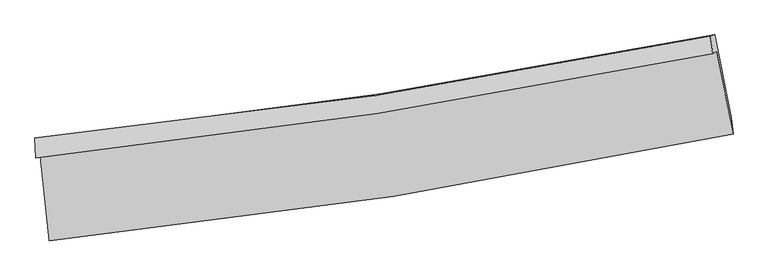
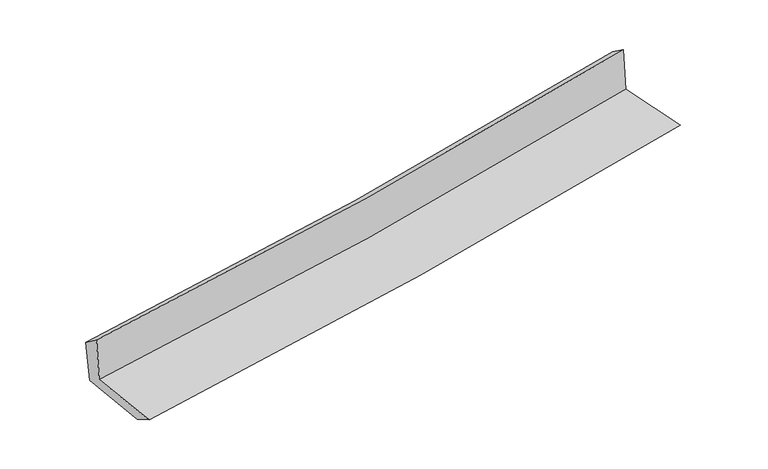
"""IFC4 building model written with IfcOpenShell, lengths in millimetres: proxy geometry."""

from ifc_helpers import new_model, si_unit, frame, origin, place, context, project, spatial, source, transform, mapped, element, save
from ifc_brep_helpers import plane_surface, spline_curve, spline_surface, advanced_brep


def generic_models_ac93c111(model_context):
    return source(origin(), model_context, "Body", "AdvancedBrep", [
        advanced_brep(
        [(-2683.3185436, -1889.1991823, 1648.9067271), (-2610.9719978, -2555.8988012, 1637.752354), (2751.6201582, -1716.2159714, 2112.1341108), (2624.965365, -1064.8630298, 2111.4829357), (-2716.7681249, -1905.6973827, 2055.0942293), (2592.1795762, -1084.7923974, 2517.7114706), (-2723.7264278, -1747.7247717, 1940.2728989), (2574.1794372, -947.08407, 2420.3227114), (-2690.532847, -1750.2707239, 1560.5557033), (2607.5039433, -936.6663711, 2028.6276748), (-2620.5953225, -2387.2161569, 1540.4441231), (2736.3653605, -1585.2861158, 1998.9377436)],
        [
            (0, 1),
            (1, 2, spline_curve(3, [(-2610.9719978, -2555.8988012, 1637.752354), (-1707.953088904, -2463.028109189, 1724.512542538), (-808.187320012, -2346.328983783, 1807.535315136), (979.303356142, -2066.141407685, 1965.61656402), (1867.068306218, -1902.946256283, 2040.721043693), (2751.6201582, -1716.2159714, 2112.1341108)], [4, 2, 4], [0.0, 8.92217796682205, 17.78927526249752])),
            (2, 3),
            (3, 0, spline_curve(3, [(2624.965365, -1064.8630298, 2111.4829357), (1749.920565573, -1242.766014694, 2030.158265955), (871.421565439, -1400.262867598, 1951.060353145), (-897.96335713, -1675.295890302, 1796.840533297), (-1788.892326453, -1792.57775478, 1721.746376544), (-2683.3185436, -1889.1991823, 1648.9067271)], [4, 2, 4], [0.0, 8.86709729567547, 17.78927526249752])),
            (4, 0),
            (3, 5),
            (5, 4, spline_curve(3, [(2592.1795762, -1084.7923974, 2517.7114706), (1716.727446994, -1261.018943972, 2437.286474732), (837.969177316, -1417.390819743, 2358.636393398), (-931.638854417, -1691.273247587, 2204.40852713), (-1822.529818497, -1808.536366864, 2128.852861202), (-2716.7681249, -1905.6973827, 2055.0942293)], [4, 2, 4], [0.0, 8.820271672069001, 17.69533314368488])),
            (6, 4),
            (5, 7),
            (7, 6, spline_curve(3, [(2574.1794372, -947.08407, 2420.3227114), (1700.76834528, -1125.031305736, 2341.541282326), (823.948217863, -1280.587940918, 2262.271796804), (-941.977919769, -1547.747210997, 2102.261274772), (-1831.126413989, -1659.070809566, 2021.514156306), (-2723.7264278, -1747.7247717, 1940.2728989)], [4, 2, 4], [0.0, 8.810464498496366, 17.675657876298814])),
            (8, 6),
            (7, 9),
            (9, 8, spline_curve(3, [(2607.5039433, -936.6663711, 2028.6276748), (1733.390002074, -1112.677700182, 1954.551139219), (856.206518492, -1268.33700933, 1878.633366249), (-909.767491425, -1539.792091245, 1722.632321412), (-1798.596271711, -1655.334232667, 1642.526104197), (-2690.532847, -1750.2707239, 1560.5557033)], [4, 2, 4], [0.0, 8.801247171904844, 17.657165966888854])),
            (10, 8),
            (9, 11),
            (11, 10, spline_curve(3, [(2736.3653605, -1585.2861158, 1998.9377436), (1851.167241926, -1753.328216365, 1922.247929539), (963.544546062, -1904.023729768, 1845.8127324), (-822.078799343, -2171.549919837, 1692.978352358), (-1720.109664619, -2288.164420239, 1616.582342877), (-2620.5953225, -2387.2161569, 1540.4441231)], [4, 2, 4], [0.0, 8.846730916340574, 17.74841599186951])),
            (1, 10),
            (11, 2),
        ],
        [
            spline_surface(3, 3, [[(-2683.3185436, -1889.1991823, 1648.9067271), (-1788.892326494, -1792.577754844, 1721.74637655), (-897.963357137, -1675.295890288, 1796.840533319), (871.421565445, -1400.262867611, 1951.060353123), (1749.920565677, -1242.766014644, 2030.158265906), (2624.965365, -1064.8630298, 2111.4829357)], [(-2659.203028337, -2111.432388592, 1645.188602722), (-1761.912580663, -2016.061206238, 1722.668431825), (-868.038011488, -1898.973588126, 1800.405460542), (907.382162369, -1622.222381009, 1955.912423471), (1788.969812501, -1462.826095233, 2033.679191891), (2667.183629416, -1281.980676999, 2111.699994078)], [(-2635.087513063, -2333.665594908, 1641.470478378), (-1734.932834821, -2239.544657656, 1723.590487134), (-838.112665788, -2122.651285895, 1803.970387765), (943.342759345, -1844.181894337, 1960.764493818), (1828.019059277, -1682.886175825, 2037.200117841), (2709.401893784, -1499.098324201, 2111.917052422)], [(-2610.9719978, -2555.8988012, 1637.752354), (-1707.953088991, -2463.02810905, 1724.512542409), (-808.18732014, -2346.328983733, 1807.535314989), (979.303356269, -2066.141407734, 1965.616564166), (1867.0683061, -1902.946256415, 2040.721043826), (2751.6201582, -1716.2159714, 2112.1341108)]], [4, 4], [4, 2, 4], [0.0, 2.2173467785266716], [0.0, 8.92217796682205, 17.78927526249752]),
            spline_surface(3, 3, [[(-2716.7681249, -1905.6973827, 2055.0942293), (-1822.529818517, -1808.536366984, 2128.852861143), (-931.638854522, -1691.273247611, 2204.408527049), (837.96917742, -1417.390819719, 2358.636393479), (1716.727447105, -1261.018944029, 2437.286474678), (2592.1795762, -1084.7923974, 2517.7114706)], [(-2705.618264443, -1900.197982555, 1919.69839523), (-1811.317321152, -1803.216829592, 1993.150699608), (-920.413688717, -1685.947461817, 2068.552529153), (849.119973438, -1411.68150233, 2222.777713375), (1727.791819949, -1254.934634254, 2301.577071744), (2603.108172453, -1078.149274886, 2382.301958957)], [(-2694.468404057, -1894.698582445, 1784.30256117), (-1800.104823859, -1797.897292235, 1857.448538084), (-909.188522941, -1680.621676083, 1932.696531214), (860.270769428, -1405.972185, 2086.919033227), (1738.856192834, -1248.85032442, 2165.86766884), (2614.036768747, -1071.506152314, 2246.892447343)], [(-2683.3185436, -1889.1991823, 1648.9067271), (-1788.892326494, -1792.577754844, 1721.74637655), (-897.963357137, -1675.295890288, 1796.840533319), (871.421565445, -1400.262867611, 1951.060353123), (1749.920565677, -1242.766014644, 2030.158265906), (2624.965365, -1064.8630298, 2111.4829357)]], [4, 4], [4, 2, 4], [0.0, 1.34280322241225], [0.0, 8.87506147161588, 17.69533314368488]),
            spline_surface(3, 3, [[(-2723.7264278, -1747.7247717, 1940.2728989), (-1831.126413876, -1659.070809689, 2021.514156214), (-941.977919767, -1547.747210917, 2102.261274833), (823.948217861, -1280.587940998, 2262.271796743), (1700.768345363, -1125.031305857, 2341.541282297), (2574.1794372, -947.08407, 2420.3227114)], [(-2721.406993494, -1800.382308708, 1978.546675712), (-1828.260882084, -1708.892662128, 2057.293724536), (-938.53156469, -1595.589223173, 2136.310358891), (828.621871043, -1326.188900596, 2294.393328974), (1706.088045931, -1170.360518563, 2373.456346438), (2580.179483521, -992.986845782, 2452.785631147)], [(-2719.087559206, -1853.039845692, 2016.820452488), (-1825.395350309, -1758.714514544, 2093.073292821), (-935.085209599, -1643.431235356, 2170.359442991), (833.295524238, -1371.789860121, 2326.514861247), (1711.407746537, -1215.689731324, 2405.371410538), (2586.179529879, -1038.889621618, 2485.248550853)], [(-2716.7681249, -1905.6973827, 2055.0942293), (-1822.529818517, -1808.536366984, 2128.852861143), (-931.638854522, -1691.273247611, 2204.408527049), (837.96917742, -1417.390819719, 2358.636393479), (1716.727447105, -1261.018944029, 2437.286474678), (2592.1795762, -1084.7923974, 2517.7114706)]], [4, 4], [4, 2, 4], [0.0, 0.5649841892598467], [0.0, 8.865193377802449, 17.675657876298814]),
            spline_surface(3, 3, [[(-2690.532847, -1750.2707239, 1560.5557033), (-1798.596271672, -1655.33423275, 1642.52610408), (-909.767491564, -1539.792091165, 1722.632321508), (856.20651863, -1268.337009409, 1878.633366153), (1733.390001973, -1112.677700045, 1954.551139216), (2607.5039433, -936.6663711, 2028.6276748)], [(-2701.597373962, -1749.422073157, 1687.128101826), (-1809.439652436, -1656.579758386, 1768.855454783), (-920.504300961, -1542.443797733, 1849.175305947), (845.453751711, -1272.420653255, 2006.512843014), (1722.516116443, -1116.795568638, 2083.547853561), (2596.395774607, -940.138937389, 2159.192686985)], [(-2712.661900838, -1748.573422443, 1813.700500374), (-1820.283033112, -1657.825284053, 1895.18480551), (-931.24111037, -1545.09550435, 1975.718290395), (834.70098478, -1276.504297151, 2134.392319883), (1711.642230892, -1120.913437264, 2212.544567952), (2585.287605893, -943.611503711, 2289.757699215)], [(-2723.7264278, -1747.7247717, 1940.2728989), (-1831.126413876, -1659.070809689, 2021.514156214), (-941.977919767, -1547.747210917, 2102.261274833), (823.948217861, -1280.587940998, 2262.271796743), (1700.768345363, -1125.031305857, 2341.541282297), (2574.1794372, -947.08407, 2420.3227114)]], [4, 4], [4, 2, 4], [0.0, 1.2569328652072667], [0.0, 8.85591879498401, 17.657165966888854]),
            spline_surface(3, 3, [[(-2620.5953225, -2387.2161569, 1540.4441231), (-1720.10966452, -2288.16442019, 1616.58234282), (-822.078799351, -2171.549919934, 1692.978352429), (963.54454607, -1904.023729671, 1845.81273233), (1851.167241951, -1753.328216264, 1922.247929586), (2736.3653605, -1585.2861158, 1998.9377436)], [(-2643.907830666, -2174.901012565, 1547.147983147), (-1746.271866904, -2077.221024375, 1625.230263221), (-851.308363441, -1960.963977007, 1702.863008809), (927.765203571, -1692.128156246, 1856.752943625), (1811.908161975, -1539.778044215, 1933.015666129), (2693.411554783, -1369.079534257, 2008.834387333)], [(-2667.220338834, -1962.585868235, 1553.851843253), (-1772.434069288, -1866.277628565, 1633.878183679), (-880.537927474, -1750.378034092, 1712.747665128), (891.98586113, -1480.232582834, 1867.693154858), (1772.649081949, -1326.227872095, 1943.783402673), (2650.457749017, -1152.872952643, 2018.731031067)], [(-2690.532847, -1750.2707239, 1560.5557033), (-1798.596271672, -1655.33423275, 1642.52610408), (-909.767491564, -1539.792091165, 1722.632321508), (856.20651863, -1268.337009409, 1878.633366153), (1733.390001973, -1112.677700045, 1954.551139216), (2607.5039433, -936.6663711, 2028.6276748)]], [4, 4], [4, 2, 4], [0.0, 2.1060354084528434], [0.0, 8.901685075528937, 17.74841599186951]),
            spline_surface(3, 3, [[(-2610.9719978, -2555.8988012, 1637.752354), (-1707.953088991, -2463.02810905, 1724.512542409), (-808.18732014, -2346.328983733, 1807.535314989), (979.303356269, -2066.141407734, 1965.616564166), (1867.0683061, -1902.946256415, 2040.721043826), (2751.6201582, -1716.2159714, 2112.1341108)], [(-2614.179772697, -2499.671253124, 1605.316277063), (-1712.005280831, -2404.740212787, 1688.535809242), (-812.817813182, -2288.069295793, 1769.349660783), (974.050419564, -2012.102181707, 1925.681953536), (1861.76795137, -1853.073576352, 2001.230005746), (2746.53522562, -1672.572686188, 2074.4019884)], [(-2617.387547603, -2443.443704976, 1572.880200037), (-1716.05747268, -2346.452316453, 1652.559075987), (-817.448306308, -2229.809607873, 1731.164006634), (968.797482775, -1958.062955699, 1885.747342961), (1856.467596681, -1803.200896327, 1961.738967666), (2741.45029308, -1628.929401012, 2036.669866)], [(-2620.5953225, -2387.2161569, 1540.4441231), (-1720.10966452, -2288.16442019, 1616.58234282), (-822.078799351, -2171.549919934, 1692.978352429), (963.54454607, -1904.023729671, 1845.81273233), (1851.167241951, -1753.328216264, 1922.247929586), (2736.3653605, -1585.2861158, 1998.9377436)]], [4, 4], [4, 2, 4], [0.0, 0.6750484691620735], [0.0, 8.958074800559, 17.860847322455673]),
            plane_surface(frame((2647.8023067, -1222.4846593, 2198.2027745), z_axis=(0.9777685556760946, 0.19021413660603398, 0.088245304500042), x_axis=(-0.08474168783174708, -0.02649141695277231, 0.9960507272078372))),
            plane_surface(frame((-2674.3188772, -2039.3345031, 1730.5043393), z_axis=(-0.9906433022360019, -0.10606215684448474, -0.08588752307783346), x_axis=(-0.1078662227301557, 0.9940263049185558, 0.016630788432629925))),
        ],
        [
            (0, [[1, 2, 3, 4]]),
            (1, [[5, -4, 6, 7]]),
            (2, [[8, -7, 9, 10]]),
            (3, [[11, -10, 12, 13]]),
            (4, [[14, -13, 15, 16]]),
            (5, [[17, -16, 18, -2]]),
            (6, [[-12, -9, -6, -3, -18, -15]]),
            (7, [[-1, -5, -8, -11, -14, -17]]),
        ],
    ),
    ])


if __name__ == "__main__":
    model = new_model("IFC4")
    model_context = context("Model", 3, world=origin())
    ifc_project = project(units=[si_unit("LENGTHUNIT", "METRE", prefix="MILLI")], contexts=[model_context])
    site = spatial("IfcSite", under=ifc_project)
    building = spatial("IfcBuilding", under=site)
    placement = place(None, origin())
    generic_models_shape = generic_models_ac93c111(model_context)
    element("IfcBuildingElementProxy", 1, Name="Generic Models", at=placement, inside=building, context=model_context, shape_type="MappedRepresentation", body=[
        mapped(generic_models_shape, transform((0.0, 0.0, 0.0), x_axis=(1.0, 0.0, 0.0), y_axis=(0.0, 1.0, 0.0), z_axis=(0.0, 0.0, 1.0))),
    ])
    save(model, "model.ifc")
